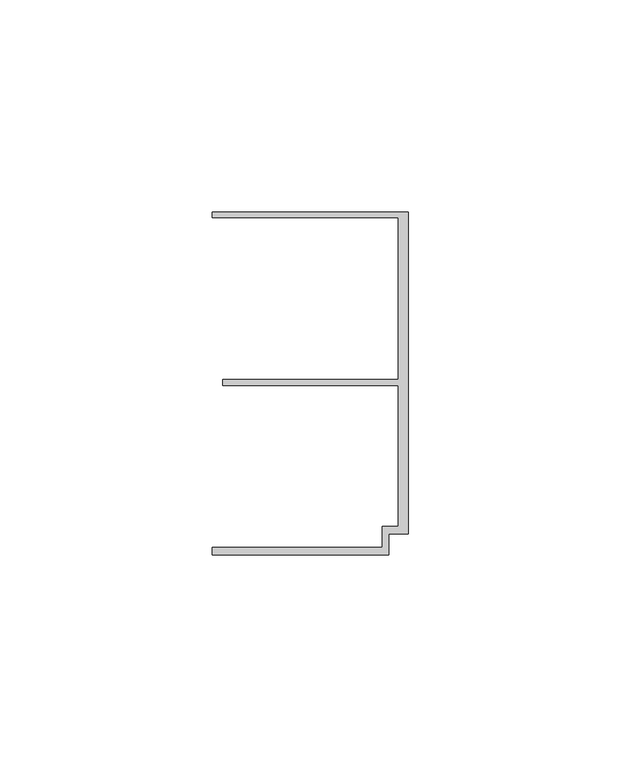
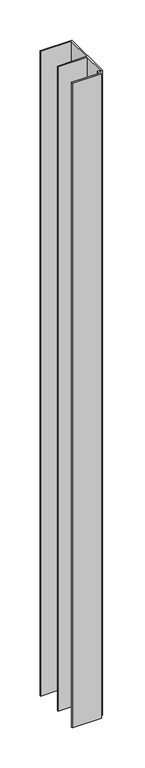
"""IFC4 building model written with IfcOpenShell, lengths in millimetres: member geometry."""

import ifcopenshell
import ifcopenshell.guid

model = None  # the IFC model being written
_history = None  # IfcOwnerHistory: only IFC2X3 demands one
_inside = {}  # id of a spatial element -> (the spatial element, [elements in it])
_under = {}  # id of a project, library or spatial element -> (it, [spatial elements below it])
_declared = {}  # id of a project -> (the project, [libraries it declares])
_typed = {}  # id of a type object -> (the type object, [elements of that type])
_made_of = {}  # id of a material, layer set ... -> (it, [elements and type objects made of it])


def new_model(schema):
    """Start an empty IFC model of exactly this schema.

    Asked for "IFC4X3", IfcOpenShell would pick the latest addendum, in which some entities
    have other attributes; the version numbers below select the first issue.
    IFC2X3 requires an IfcOwnerHistory on every rooted entity: one is made here for all.
    """
    global model, _history
    if schema == "IFC4X3":
        model = ifcopenshell.file(schema_version=(4, 3, 0, 0))
    else:
        model = ifcopenshell.file(schema=schema)
    _inside.clear()
    _under.clear()
    _declared.clear()
    _typed.clear()
    _made_of.clear()
    _history = None
    if model.schema == "IFC2X3":
        org = make("IfcOrganization", Name="unknown")
        user = make(
            "IfcPersonAndOrganization",
            ThePerson=make("IfcPerson", FamilyName="unknown"),
            TheOrganization=org,
        )
        app = make(
            "IfcApplication",
            ApplicationDeveloper=org,
            Version="unknown",
            ApplicationFullName="unknown",
            ApplicationIdentifier="unknown",
        )
        _history = make(
            "IfcOwnerHistory",
            OwningUser=user,
            OwningApplication=app,
            ChangeAction="ADDED",
            CreationDate=0,
        )
    return model


def make(cls, **values):
    """One entity of the class cls with the attributes given. An attribute that is None is left unset."""
    return model.create_entity(
        cls, **{name: value for name, value in values.items() if value is not None}
    )


def rooted(cls, **values):
    """An entity with a GlobalId (a new one), such as an element, a storey or a relation."""
    return make(cls, GlobalId=ifcopenshell.guid.new(), OwnerHistory=_history, **values)


def si_unit(unit_type, name, prefix=None):
    """IfcSIUnit, for example si_unit("LENGTHUNIT", "METRE", prefix="MILLI")."""
    return make("IfcSIUnit", UnitType=unit_type, Prefix=prefix, Name=name)


def assignment(units):
    """IfcUnitAssignment: the units of a project."""
    return None if units is None else make("IfcUnitAssignment", Units=units)


def point(xyz):
    """IfcCartesianPoint."""
    return None if xyz is None else make("IfcCartesianPoint", Coordinates=xyz)


def direction(xyz):
    """IfcDirection."""
    return None if xyz is None else make("IfcDirection", DirectionRatios=xyz)


def frame(location, z_axis=None, x_axis=None):
    """IfcAxis2Placement3D, a coordinate frame: its origin and axes. An axis left out is left unset."""
    return make(
        "IfcAxis2Placement3D",
        Location=point(location),
        Axis=direction(z_axis),
        RefDirection=direction(x_axis),
    )


def origin():
    """The frame at (0, 0, 0) with its axes left unset."""
    return frame((0.0, 0.0, 0.0))


def place(relative_to, where):
    """IfcLocalPlacement: puts the frame where relative to a parent placement (None: the world)."""
    return make(
        "IfcLocalPlacement", PlacementRelTo=relative_to, RelativePlacement=where
    )


def context(
    kind, dimensions, precision=None, world=None, true_north=None, identifier=None
):
    """IfcGeometricRepresentationContext, for example the 3D "Model" context."""
    return make(
        "IfcGeometricRepresentationContext",
        ContextIdentifier=identifier,
        ContextType=kind,
        CoordinateSpaceDimension=dimensions,
        Precision=precision,
        WorldCoordinateSystem=world,
        TrueNorth=true_north,
    )


def project(units=None, contexts=None):
    """IfcProject with its units and contexts."""
    return rooted(
        "IfcProject",
        Name="project",
        RepresentationContexts=contexts,
        UnitsInContext=assignment(units),
    )


def spatial(cls, under=None, at=None, **own):
    """A site, building, storey or space (cls), placed at a placement, below another one or the project."""
    s = rooted(cls, ObjectPlacement=at, **own)
    if under is not None:
        _under.setdefault(under.id(), (under, []))[1].append(s)
    return s


def polyline(points):
    """IfcPolyline through the points."""
    return make("IfcPolyline", Points=[point(p) for p in points])


def outline(outer, holes=None, kind="AREA"):
    """IfcArbitraryClosedProfileDef: a profile drawn as a closed curve; with holes, ...WithVoids."""
    if holes is None:
        return make("IfcArbitraryClosedProfileDef", ProfileType=kind, OuterCurve=outer)
    return make(
        "IfcArbitraryProfileDefWithVoids",
        ProfileType=kind,
        OuterCurve=outer,
        InnerCurves=holes,
    )


def extrude(swept, where, along, depth):
    """IfcExtrudedAreaSolid: the profile swept, set in the frame where, extruded along a direction by depth."""
    return make(
        "IfcExtrudedAreaSolid",
        SweptArea=swept,
        Position=where,
        ExtrudedDirection=direction(along),
        Depth=depth,
    )


def shape(context_of_items, identifier, shape_type, items):
    """IfcShapeRepresentation: the items that make up one representation, for example the "Body"."""
    return make(
        "IfcShapeRepresentation",
        ContextOfItems=context_of_items,
        RepresentationIdentifier=identifier,
        RepresentationType=shape_type,
        Items=items,
    )


def source(mapping_origin, context_of_items, identifier, shape_type, items):
    """IfcRepresentationMap: a shape defined once, which mapped items show again and again."""
    return make(
        "IfcRepresentationMap",
        MappingOrigin=mapping_origin,
        MappedRepresentation=shape(context_of_items, identifier, shape_type, items),
    )


def transform(
    local_origin,
    x_axis=None,
    y_axis=None,
    z_axis=None,
    scale=None,
    scale2=None,
    scale3=None,
    uniform=True,
):
    """IfcCartesianTransformationOperator3D, or its non-uniform kind. x_axis, y_axis, z_axis: its Axis1, 2, 3."""
    if uniform:
        return make(
            "IfcCartesianTransformationOperator3D",
            Axis1=direction(x_axis),
            Axis2=direction(y_axis),
            LocalOrigin=point(local_origin),
            Scale=scale,
            Axis3=direction(z_axis),
        )
    return make(
        "IfcCartesianTransformationOperator3DnonUniform",
        Axis1=direction(x_axis),
        Axis2=direction(y_axis),
        LocalOrigin=point(local_origin),
        Scale=scale,
        Axis3=direction(z_axis),
        Scale2=scale2,
        Scale3=scale3,
    )


def mapped(mapping_source, mapping_target):
    """IfcMappedItem: shows the shape of a source again, moved by a transform."""
    return make(
        "IfcMappedItem", MappingSource=mapping_source, MappingTarget=mapping_target
    )


def made_of(thing, what):
    """Note that an element or type object is made of a material, layer set ...; save() writes the relation."""
    if what is not None:
        _made_of.setdefault(what.id(), (what, []))[1].append(thing)
    return thing


def element(
    cls,
    number,
    at=None,
    inside=None,
    cuts=None,
    type_object=None,
    material=None,
    context=None,
    identifier="Body",
    shape_type=None,
    held_by="IfcProductDefinitionShape",
    body=None,
    shapes=None,
    **own,
):
    """One element of the class cls, such as IfcWall. Its Tag is "e" and its number.

    at: its placement. inside: the storey or other place that contains it. cuts: it is an
    opening in that element (IfcRelVoidsElement). A single representation is given by context,
    identifier, shape_type and body (its items); several are given by shapes. held_by: the class
    of the entity that holds the representations. save() writes the other relations.
    """
    e = rooted(cls, Tag="e%d" % number, ObjectPlacement=at, **own)
    if body is not None:
        shapes = [shape(context, identifier, shape_type, body)]
    if shapes is not None:
        e.Representation = make(held_by, Representations=shapes)
    if inside is not None:
        _inside.setdefault(inside.id(), (inside, []))[1].append(e)
    if cuts is not None:
        rooted(
            "IfcRelVoidsElement", RelatingBuildingElement=cuts, RelatedOpeningElement=e
        )
    if type_object is not None:
        _typed.setdefault(type_object.id(), (type_object, []))[1].append(e)
    return made_of(e, material)


def aggregate(whole, parts):
    """IfcRelAggregates: a whole, such as a stair, and the parts it consists of."""
    return rooted("IfcRelAggregates", RelatingObject=whole, RelatedObjects=parts)


def save(model, path):
    """Write the relations noted so far, then the file.

    IfcRelAggregates (storeys below a building ...), IfcRelContainedInSpatialStructure (elements
    in a storey), IfcRelDefinesByType, IfcRelAssociatesMaterial and IfcRelDeclares: one each for
    every whole, place, type object, material and project.
    """
    for whole, parts in _under.values():
        aggregate(whole, parts)
    for where, things in _inside.values():
        rooted(
            "IfcRelContainedInSpatialStructure",
            RelatedElements=things,
            RelatingStructure=where,
        )
    for kind, things in _typed.values():
        rooted("IfcRelDefinesByType", RelatedObjects=things, RelatingType=kind)
    for what, things in _made_of.values():
        rooted("IfcRelAssociatesMaterial", RelatedObjects=things, RelatingMaterial=what)
    for by, libraries in _declared.values():
        rooted("IfcRelDeclares", RelatingContext=by, RelatedDefinitions=libraries)
    model.write(path)


def member_955aadc8(model_context):
    return source(origin(), model_context, "Body", "SweptSolid", [
        extrude(outline(polyline([(-6.2, -33.95), (-2.4, -33.95), (-2.4, -0.75), (-43.8, -0.75), (-43.8, 0.75), (-2.4, 0.75), (-2.4, 38.95), (-46.3, 38.95), (-46.3, 40.25), (0.0, 40.25), (0.0, -35.75), (-4.6999992, -35.75), (-4.6999992, -40.65), (-46.3, -40.65), (-46.3, -38.95), (-6.2, -38.95), (-6.2, -33.95)])), frame((0.0, 0.0, -979.8), z_axis=(0.0, 0.0, 1.0), x_axis=(1.0, 0.0, 0.0)), (0.0, 0.0, 1.0), 979.8),
    ])


if __name__ == "__main__":
    model = new_model("IFC4")
    model_context = context("Model", 3, world=origin())
    ifc_project = project(units=[si_unit("LENGTHUNIT", "METRE", prefix="MILLI")], contexts=[model_context])
    site = spatial("IfcSite", under=ifc_project)
    building = spatial("IfcBuilding", under=site)
    placement = place(None, origin())
    member_shape = member_955aadc8(model_context)
    element("IfcMember", 1, at=placement, inside=building, context=model_context, shape_type="MappedRepresentation", body=[
        mapped(member_shape, transform((0.0, 0.0, 0.0), x_axis=(1.0, 0.0, 0.0), y_axis=(0.0, 1.0, 0.0), z_axis=(0.0, 0.0, 1.0))),
    ])
    save(model, "model.ifc")
